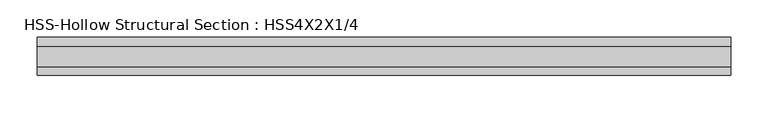
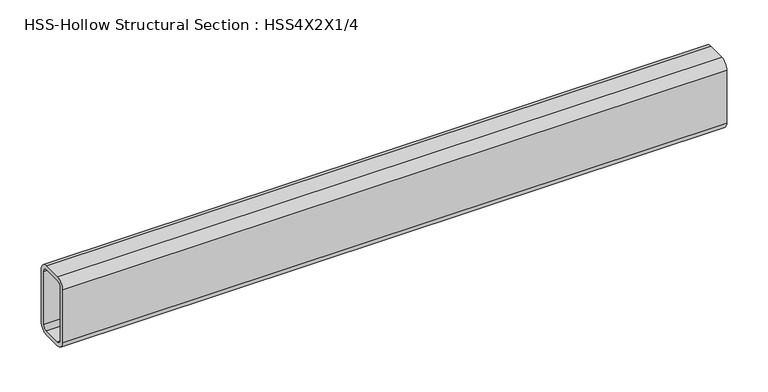
"""IFC4 building model written with IfcOpenShell, lengths in millimetres: beam geometry, HSS-Hollow Structural Section : HSS4X2X1/4."""

from ifc_helpers import new_model, si_unit, point, frame, frame_2d, origin, place, context, project, spatial, polyline, circle_curve, trimmed, segment, composite_curve, outline, extrude, source, transform, mapped, element, save


def hss_hollow_structural_section_hss4x2x1_4_e1a94712(model_context):
    return source(origin(), model_context, "Body", "SweptSolid", [
        extrude(outline(composite_curve([segment(polyline([(25.4, 38.9636), (25.4, -38.9636)]), True, "CONTINUOUS"), segment(trimmed(circle_curve(frame_2d((13.5636, -38.9636)), 11.8364), [point((25.4, -38.9636))], [point((13.5636, -50.8))], False, "CARTESIAN"), True, "CONTINUOUS"), segment(polyline([(13.5636, -50.8), (-13.5636, -50.8)]), True, "CONTINUOUS"), segment(trimmed(circle_curve(frame_2d((-13.5636, -38.9636)), 11.8364), [point((-13.5636, -50.8))], [point((-25.4, -38.9636))], False, "CARTESIAN"), True, "CONTINUOUS"), segment(polyline([(-25.4, -38.9636), (-25.4, 38.9636)]), True, "CONTINUOUS"), segment(trimmed(circle_curve(frame_2d((-13.5636, 38.9636)), 11.8364), [point((-25.4, 38.9636))], [point((-13.5636, 50.8))], False, "CARTESIAN"), True, "CONTINUOUS"), segment(polyline([(-13.5636, 50.8), (13.5636, 50.8)]), True, "CONTINUOUS"), segment(trimmed(circle_curve(frame_2d((13.5636, 38.9636)), 11.8364), [point((13.5636, 50.8))], [point((25.4, 38.9636))], False, "CARTESIAN"), True, "CONTINUOUS")], self_intersect=False), holes=[composite_curve([segment(trimmed(circle_curve(frame_2d((-13.5636, 38.9636)), 5.9182), [point((-13.5636, 44.8818))], [point((-19.4818, 38.9636))], True, "CARTESIAN"), True, "CONTINUOUS"), segment(polyline([(-19.4818, 38.9636), (-19.4818, -38.9636)]), True, "CONTINUOUS"), segment(trimmed(circle_curve(frame_2d((-13.5636, -38.9636)), 5.9182), [point((-19.4818, -38.9636))], [point((-13.5636, -44.8818))], True, "CARTESIAN"), True, "CONTINUOUS"), segment(polyline([(-13.5636, -44.8818), (13.5636, -44.8818)]), True, "CONTINUOUS"), segment(trimmed(circle_curve(frame_2d((13.5636, -38.9636)), 5.9182), [point((13.5636, -44.8818))], [point((19.4818, -38.9636))], True, "CARTESIAN"), True, "CONTINUOUS"), segment(polyline([(19.4818, -38.9636), (19.4818, 38.9636)]), True, "CONTINUOUS"), segment(trimmed(circle_curve(frame_2d((13.5636, 38.9636)), 5.9182), [point((19.4818, 38.9636))], [point((13.5636, 44.8818))], True, "CARTESIAN"), True, "CONTINUOUS"), segment(polyline([(13.5636, 44.8818), (-13.5636, 44.8818)]), True, "CONTINUOUS")], self_intersect=False)]), frame((-476.25, 0.0, 0.0), z_axis=(1.0, 0.0, 0.0), x_axis=(0.0, 1.0, 0.0)), (0.0, 0.0, 1.0), 927.1),
    ])


if __name__ == "__main__":
    model = new_model("IFC4")
    model_context = context("Model", 3, world=origin())
    ifc_project = project(units=[si_unit("LENGTHUNIT", "METRE", prefix="MILLI")], contexts=[model_context])
    site = spatial("IfcSite", under=ifc_project)
    building = spatial("IfcBuilding", under=site)
    placement = place(None, origin())
    hss_hollow_structural_section_hss4x2x1_4_shape = hss_hollow_structural_section_hss4x2x1_4_e1a94712(model_context)
    element("IfcBeam", 1, ObjectType="HSS-Hollow Structural Section : HSS4X2X1/4", at=placement, inside=building, context=model_context, shape_type="MappedRepresentation", body=[
        mapped(hss_hollow_structural_section_hss4x2x1_4_shape, transform((0.0, 0.0, 0.0), x_axis=(1.0, 0.0, 0.0), y_axis=(0.0, 1.0, 0.0), z_axis=(0.0, 0.0, 1.0))),
    ])
    save(model, "model.ifc")
